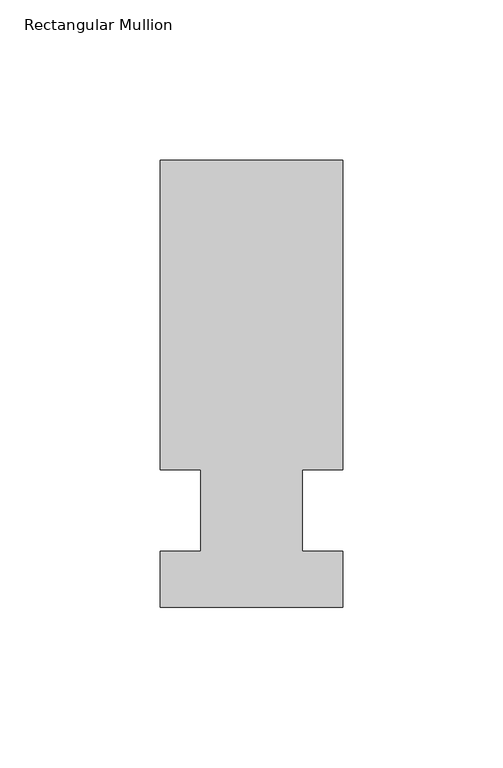
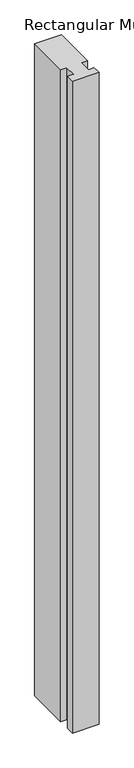
"""IFC4 building model written with IfcOpenShell, lengths in millimetres: member geometry, Rectangular Mullion."""

from ifc_helpers import new_model, si_unit, frame, origin, place, context, project, spatial, polyline, outline, extrude, source, transform, mapped, element, save


def rectangular_mullion_1162088e(model_context):
    return source(origin(), model_context, "Body", "SweptSolid", [
        extrude(outline(polyline([(32.9094027, 109.5375), (32.9094027, 12.7), (20.2076322, 12.7), (20.2076322, -12.7), (32.9094027, -12.7), (32.9094027, -30.1625), (-24.2405973, -30.1625), (-24.2405973, -12.7), (-11.5405973, -12.7), (-11.5405973, 12.7), (-24.2405973, 12.7), (-24.2405973, 109.5375), (32.9094027, 109.5375)])), frame((0.0, 0.0, -1478.28), z_axis=(0.0, 0.0, 1.0), x_axis=(1.0, 0.0, 0.0)), (0.0, 0.0, 1.0), 1478.28),
    ])


if __name__ == "__main__":
    model = new_model("IFC4")
    model_context = context("Model", 3, world=origin())
    ifc_project = project(units=[si_unit("LENGTHUNIT", "METRE", prefix="MILLI")], contexts=[model_context])
    site = spatial("IfcSite", under=ifc_project)
    building = spatial("IfcBuilding", under=site)
    placement = place(None, origin())
    rectangular_mullion_shape = rectangular_mullion_1162088e(model_context)
    element("IfcMember", 1, ObjectType="Rectangular Mullion", at=placement, inside=building, context=model_context, shape_type="MappedRepresentation", body=[
        mapped(rectangular_mullion_shape, transform((0.0, 0.0, 0.0), x_axis=(1.0, 0.0, 0.0), y_axis=(0.0, 1.0, 0.0), z_axis=(0.0, 0.0, 1.0))),
    ])
    save(model, "model.ifc")
